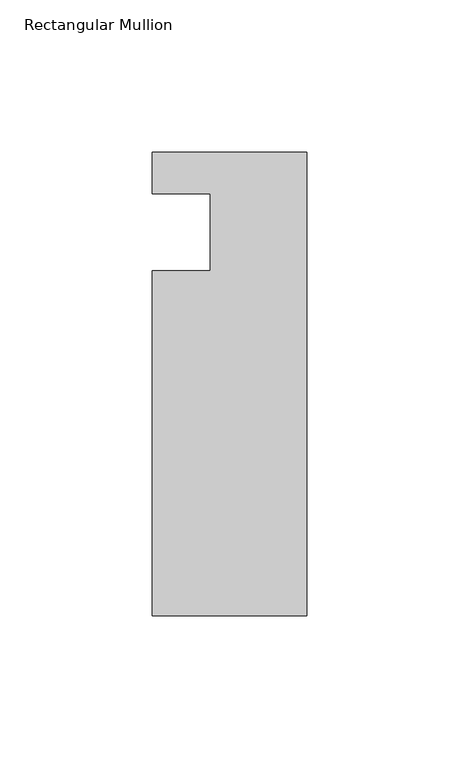
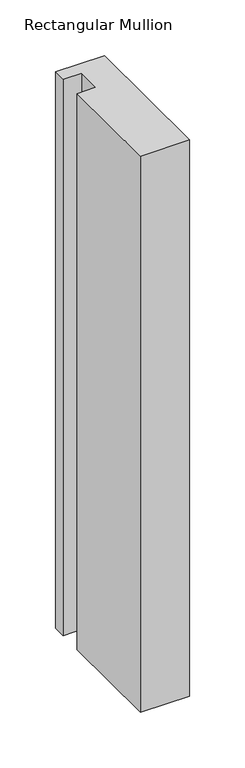
"""IFC4 building model written with IfcOpenShell, lengths in millimetres: member geometry, Rectangular Mullion."""

import ifcopenshell
import ifcopenshell.guid

model = None  # the IFC model being written
_history = None  # IfcOwnerHistory: only IFC2X3 demands one
_inside = {}  # id of a spatial element -> (the spatial element, [elements in it])
_under = {}  # id of a project, library or spatial element -> (it, [spatial elements below it])
_declared = {}  # id of a project -> (the project, [libraries it declares])
_typed = {}  # id of a type object -> (the type object, [elements of that type])
_made_of = {}  # id of a material, layer set ... -> (it, [elements and type objects made of it])


def new_model(schema):
    """Start an empty IFC model of exactly this schema.

    Asked for "IFC4X3", IfcOpenShell would pick the latest addendum, in which some entities
    have other attributes; the version numbers below select the first issue.
    IFC2X3 requires an IfcOwnerHistory on every rooted entity: one is made here for all.
    """
    global model, _history
    if schema == "IFC4X3":
        model = ifcopenshell.file(schema_version=(4, 3, 0, 0))
    else:
        model = ifcopenshell.file(schema=schema)
    _inside.clear()
    _under.clear()
    _declared.clear()
    _typed.clear()
    _made_of.clear()
    _history = None
    if model.schema == "IFC2X3":
        org = make("IfcOrganization", Name="unknown")
        user = make(
            "IfcPersonAndOrganization",
            ThePerson=make("IfcPerson", FamilyName="unknown"),
            TheOrganization=org,
        )
        app = make(
            "IfcApplication",
            ApplicationDeveloper=org,
            Version="unknown",
            ApplicationFullName="unknown",
            ApplicationIdentifier="unknown",
        )
        _history = make(
            "IfcOwnerHistory",
            OwningUser=user,
            OwningApplication=app,
            ChangeAction="ADDED",
            CreationDate=0,
        )
    return model


def make(cls, **values):
    """One entity of the class cls with the attributes given. An attribute that is None is left unset."""
    return model.create_entity(
        cls, **{name: value for name, value in values.items() if value is not None}
    )


def rooted(cls, **values):
    """An entity with a GlobalId (a new one), such as an element, a storey or a relation."""
    return make(cls, GlobalId=ifcopenshell.guid.new(), OwnerHistory=_history, **values)


def si_unit(unit_type, name, prefix=None):
    """IfcSIUnit, for example si_unit("LENGTHUNIT", "METRE", prefix="MILLI")."""
    return make("IfcSIUnit", UnitType=unit_type, Prefix=prefix, Name=name)


def assignment(units):
    """IfcUnitAssignment: the units of a project."""
    return None if units is None else make("IfcUnitAssignment", Units=units)


def point(xyz):
    """IfcCartesianPoint."""
    return None if xyz is None else make("IfcCartesianPoint", Coordinates=xyz)


def direction(xyz):
    """IfcDirection."""
    return None if xyz is None else make("IfcDirection", DirectionRatios=xyz)


def frame(location, z_axis=None, x_axis=None):
    """IfcAxis2Placement3D, a coordinate frame: its origin and axes. An axis left out is left unset."""
    return make(
        "IfcAxis2Placement3D",
        Location=point(location),
        Axis=direction(z_axis),
        RefDirection=direction(x_axis),
    )


def origin():
    """The frame at (0, 0, 0) with its axes left unset."""
    return frame((0.0, 0.0, 0.0))


def place(relative_to, where):
    """IfcLocalPlacement: puts the frame where relative to a parent placement (None: the world)."""
    return make(
        "IfcLocalPlacement", PlacementRelTo=relative_to, RelativePlacement=where
    )


def context(
    kind, dimensions, precision=None, world=None, true_north=None, identifier=None
):
    """IfcGeometricRepresentationContext, for example the 3D "Model" context."""
    return make(
        "IfcGeometricRepresentationContext",
        ContextIdentifier=identifier,
        ContextType=kind,
        CoordinateSpaceDimension=dimensions,
        Precision=precision,
        WorldCoordinateSystem=world,
        TrueNorth=true_north,
    )


def project(units=None, contexts=None):
    """IfcProject with its units and contexts."""
    return rooted(
        "IfcProject",
        Name="project",
        RepresentationContexts=contexts,
        UnitsInContext=assignment(units),
    )


def spatial(cls, under=None, at=None, **own):
    """A site, building, storey or space (cls), placed at a placement, below another one or the project."""
    s = rooted(cls, ObjectPlacement=at, **own)
    if under is not None:
        _under.setdefault(under.id(), (under, []))[1].append(s)
    return s


def polyline(points):
    """IfcPolyline through the points."""
    return make("IfcPolyline", Points=[point(p) for p in points])


def outline(outer, holes=None, kind="AREA"):
    """IfcArbitraryClosedProfileDef: a profile drawn as a closed curve; with holes, ...WithVoids."""
    if holes is None:
        return make("IfcArbitraryClosedProfileDef", ProfileType=kind, OuterCurve=outer)
    return make(
        "IfcArbitraryProfileDefWithVoids",
        ProfileType=kind,
        OuterCurve=outer,
        InnerCurves=holes,
    )


def extrude(swept, where, along, depth):
    """IfcExtrudedAreaSolid: the profile swept, set in the frame where, extruded along a direction by depth."""
    return make(
        "IfcExtrudedAreaSolid",
        SweptArea=swept,
        Position=where,
        ExtrudedDirection=direction(along),
        Depth=depth,
    )


def shape(context_of_items, identifier, shape_type, items):
    """IfcShapeRepresentation: the items that make up one representation, for example the "Body"."""
    return make(
        "IfcShapeRepresentation",
        ContextOfItems=context_of_items,
        RepresentationIdentifier=identifier,
        RepresentationType=shape_type,
        Items=items,
    )


def source(mapping_origin, context_of_items, identifier, shape_type, items):
    """IfcRepresentationMap: a shape defined once, which mapped items show again and again."""
    return make(
        "IfcRepresentationMap",
        MappingOrigin=mapping_origin,
        MappedRepresentation=shape(context_of_items, identifier, shape_type, items),
    )


def transform(
    local_origin,
    x_axis=None,
    y_axis=None,
    z_axis=None,
    scale=None,
    scale2=None,
    scale3=None,
    uniform=True,
):
    """IfcCartesianTransformationOperator3D, or its non-uniform kind. x_axis, y_axis, z_axis: its Axis1, 2, 3."""
    if uniform:
        return make(
            "IfcCartesianTransformationOperator3D",
            Axis1=direction(x_axis),
            Axis2=direction(y_axis),
            LocalOrigin=point(local_origin),
            Scale=scale,
            Axis3=direction(z_axis),
        )
    return make(
        "IfcCartesianTransformationOperator3DnonUniform",
        Axis1=direction(x_axis),
        Axis2=direction(y_axis),
        LocalOrigin=point(local_origin),
        Scale=scale,
        Axis3=direction(z_axis),
        Scale2=scale2,
        Scale3=scale3,
    )


def mapped(mapping_source, mapping_target):
    """IfcMappedItem: shows the shape of a source again, moved by a transform."""
    return make(
        "IfcMappedItem", MappingSource=mapping_source, MappingTarget=mapping_target
    )


def made_of(thing, what):
    """Note that an element or type object is made of a material, layer set ...; save() writes the relation."""
    if what is not None:
        _made_of.setdefault(what.id(), (what, []))[1].append(thing)
    return thing


def element(
    cls,
    number,
    at=None,
    inside=None,
    cuts=None,
    type_object=None,
    material=None,
    context=None,
    identifier="Body",
    shape_type=None,
    held_by="IfcProductDefinitionShape",
    body=None,
    shapes=None,
    **own,
):
    """One element of the class cls, such as IfcWall. Its Tag is "e" and its number.

    at: its placement. inside: the storey or other place that contains it. cuts: it is an
    opening in that element (IfcRelVoidsElement). A single representation is given by context,
    identifier, shape_type and body (its items); several are given by shapes. held_by: the class
    of the entity that holds the representations. save() writes the other relations.
    """
    e = rooted(cls, Tag="e%d" % number, ObjectPlacement=at, **own)
    if body is not None:
        shapes = [shape(context, identifier, shape_type, body)]
    if shapes is not None:
        e.Representation = make(held_by, Representations=shapes)
    if inside is not None:
        _inside.setdefault(inside.id(), (inside, []))[1].append(e)
    if cuts is not None:
        rooted(
            "IfcRelVoidsElement", RelatingBuildingElement=cuts, RelatedOpeningElement=e
        )
    if type_object is not None:
        _typed.setdefault(type_object.id(), (type_object, []))[1].append(e)
    return made_of(e, material)


def aggregate(whole, parts):
    """IfcRelAggregates: a whole, such as a stair, and the parts it consists of."""
    return rooted("IfcRelAggregates", RelatingObject=whole, RelatedObjects=parts)


def save(model, path):
    """Write the relations noted so far, then the file.

    IfcRelAggregates (storeys below a building ...), IfcRelContainedInSpatialStructure (elements
    in a storey), IfcRelDefinesByType, IfcRelAssociatesMaterial and IfcRelDeclares: one each for
    every whole, place, type object, material and project.
    """
    for whole, parts in _under.values():
        aggregate(whole, parts)
    for where, things in _inside.values():
        rooted(
            "IfcRelContainedInSpatialStructure",
            RelatedElements=things,
            RelatingStructure=where,
        )
    for kind, things in _typed.values():
        rooted("IfcRelDefinesByType", RelatedObjects=things, RelatingType=kind)
    for what, things in _made_of.values():
        rooted("IfcRelAssociatesMaterial", RelatedObjects=things, RelatingMaterial=what)
    for by, libraries in _declared.values():
        rooted("IfcRelDeclares", RelatingContext=by, RelatedDefinitions=libraries)
    model.write(path)


def rectangular_mullion_ba845b8f(model_context):
    return source(origin(), model_context, "Body", "SweptSolid", [
        extrude(outline(polyline([(0.0, 13.672693), (0.0, -138.727307), (-50.8, -138.727307), (-50.8, -25.4), (-31.75, -25.4), (-31.75, 0.0), (-50.8, 0.0), (-50.8, 13.672693), (0.0, 13.672693)])), frame((0.0, 0.0, -609.6), z_axis=(0.0, 0.0, 1.0), x_axis=(1.0, 0.0, 0.0)), (0.0, 0.0, 1.0), 609.6),
    ])


if __name__ == "__main__":
    model = new_model("IFC4")
    model_context = context("Model", 3, world=origin())
    ifc_project = project(units=[si_unit("LENGTHUNIT", "METRE", prefix="MILLI")], contexts=[model_context])
    site = spatial("IfcSite", under=ifc_project)
    building = spatial("IfcBuilding", under=site)
    placement = place(None, origin())
    rectangular_mullion_shape = rectangular_mullion_ba845b8f(model_context)
    element("IfcMember", 1, ObjectType="Rectangular Mullion", at=placement, inside=building, context=model_context, shape_type="MappedRepresentation", body=[
        mapped(rectangular_mullion_shape, transform((0.0, 0.0, 0.0), x_axis=(1.0, 0.0, 0.0), y_axis=(0.0, 1.0, 0.0), z_axis=(0.0, 0.0, 1.0))),
    ])
    save(model, "model.ifc")
